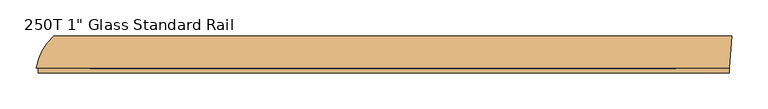
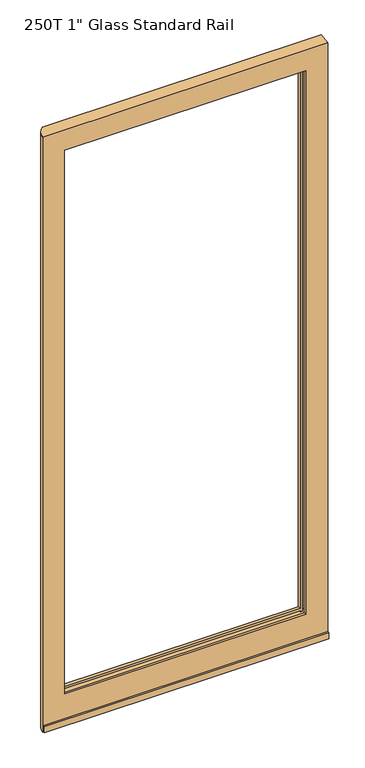
"""IFC4 building model written with IfcOpenShell, lengths in millimetres: door geometry."""

from ifc_helpers import new_model, si_unit, frame, origin, place, context, project, spatial, polyline, circle_curve, outline, extrude, source, transform, mapped, element, save
from ifc_brep_helpers import plane_surface, cylinder_surface, advanced_brep


def door_bd98915f(model_context):
    return source(origin(), model_context, "Body", "SolidModel", [
        advanced_brep(
        [(-479.6437266, 12.7, 2127.25), (-479.6437266, 12.7, 17.4625), (476.6373512, 12.7, 17.4625), (476.6373512, 12.7, 2127.25), (403.225, 12.7, 127.0), (-404.8125, 12.7, 127.0), (-404.8125, 12.7, 2054.225), (403.225, 12.7, 2054.225), (-404.8125, 15.875, 119.3799225), (403.225, 15.875, 119.3799225), (403.225, 15.875, 114.3), (-404.8125, 15.875, 114.3), (403.225, 53.975, 119.3799225), (-404.8125, 53.975, 119.3799225), (-404.8125, 53.975, 114.3), (403.225, 53.975, 114.3), (-404.8125, 55.5625, 127.0), (403.225, 55.5625, 127.0), (403.225, 55.5625, 114.3), (-404.8125, 55.5625, 114.3), (-404.8125, 53.975, 2061.5671875), (403.225, 53.975, 2061.5671875), (403.225, 53.975, 2066.925), (-404.8125, 53.975, 2066.925), (403.225, 15.875, 2061.5671875), (-404.8125, 15.875, 2061.5671875), (-404.8125, 15.875, 2066.925), (403.225, 15.875, 2066.925), (403.225, 55.5625, 2054.225), (-404.8125, 55.5625, 2054.225), (-404.8125, 55.5625, 2066.925), (403.225, 55.5625, 2066.925), (403.225, 19.84375, 127.0), (-404.8125, 19.84375, 127.0), (-404.8125, 19.84375, 119.3799225), (403.225, 19.84375, 119.3799225), (403.225, 45.24375, 119.3799225), (-404.8125, 45.24375, 119.3799225), (-404.8125, 45.24375, 127.0), (403.225, 45.24375, 127.0), (403.225, 19.84375, 2061.5671875), (-404.8125, 19.84375, 2061.5671875), (-404.8125, 19.84375, 2054.225), (403.225, 19.84375, 2054.225), (403.225, 45.24375, 2054.225), (-404.8125, 45.24375, 2054.225), (-404.8125, 45.24375, 2061.5671875), (403.225, 45.24375, 2061.5671875), (-455.6012723, 57.15, 2127.25), (480.21875, 57.15, 2127.25), (-455.6012723, 57.15, 17.4625), (480.21875, 57.15, 17.4625), (-423.8625, 15.875, 114.3), (-423.8625, 55.5625, 114.3), (-423.8625, 55.5625, 2066.925), (-423.8625, 15.875, 2066.925), (-404.8125, 57.15, 114.3), (403.225, 57.15, 114.3), (403.225, 57.15, 2066.925), (-404.8125, 57.15, 2066.925), (422.275, 55.5625, 114.3), (422.275, 15.875, 114.3), (422.275, 15.875, 2066.925), (422.275, 55.5625, 2066.925), (403.225, 19.84375, 114.3), (410.5671875, 19.84375, 114.3), (410.5671875, 15.875, 114.3), (410.5671875, 55.5625, 114.3), (410.5671875, 45.24375, 114.3), (403.225, 45.24375, 114.3), (-404.8125, 45.24375, 114.3), (-412.1277013, 45.24375, 114.3), (-412.1277013, 55.5625, 114.3), (-412.1277013, 15.875, 114.3), (-412.1277013, 19.84375, 114.3), (-404.8125, 19.84375, 114.3), (403.225, 45.24375, 2066.925), (410.5671875, 45.24375, 2066.925), (410.5671875, 55.5625, 2066.925), (410.5671875, 15.875, 2066.925), (410.5671875, 19.84375, 2066.925), (403.225, 19.84375, 2066.925), (-404.8125, 19.84375, 2066.925), (-412.1277013, 19.84375, 2066.925), (-412.1277013, 15.875, 2066.925), (-412.1277013, 55.5625, 2066.925), (-412.1277013, 45.24375, 2066.925), (-404.8125, 45.24375, 2066.925)],
        [
            (0, 1),
            (1, 2),
            (2, 3),
            (3, 0),
            (4, 5),
            (5, 6),
            (6, 7),
            (7, 4),
            (8, 9),
            (9, 10),
            (10, 11),
            (11, 8),
            (12, 13),
            (13, 14),
            (14, 15),
            (15, 12),
            (16, 17),
            (17, 18),
            (18, 19),
            (19, 16),
            (20, 21),
            (21, 22),
            (22, 23),
            (23, 20),
            (24, 25),
            (25, 26),
            (26, 27),
            (27, 24),
            (28, 29),
            (29, 30),
            (30, 31),
            (31, 28),
            (4, 32),
            (32, 33),
            (33, 5),
            (34, 35),
            (35, 9),
            (8, 34),
            (36, 37),
            (37, 13),
            (12, 36),
            (38, 39),
            (39, 17),
            (16, 38),
            (40, 41),
            (41, 25),
            (24, 40),
            (42, 43),
            (43, 7),
            (6, 42),
            (28, 44),
            (44, 45),
            (45, 29),
            (46, 47),
            (47, 21),
            (20, 46),
            (48, 0, circle_curve(frame((-403.0527085, 0.0, 2127.25), z_axis=(0.0, 0.0, 1.0), x_axis=(1.0, 0.0, 0.0)), 77.6368087)),
            (3, 49),
            (49, 48),
            (1, 50, circle_curve(frame((-403.0527085, 0.0, 17.4625), z_axis=(0.0, 0.0, -1.0), x_axis=(1.0, 0.0, 0.0)), 77.6368087)),
            (50, 51),
            (51, 2),
            (48, 50),
            (52, 53),
            (53, 54),
            (54, 55),
            (55, 52),
            (49, 51),
            (56, 57),
            (57, 58),
            (58, 59),
            (59, 56),
            (60, 61),
            (61, 62),
            (62, 63),
            (63, 60),
            (10, 64),
            (64, 65),
            (65, 66),
            (66, 61),
            (60, 67),
            (67, 68),
            (68, 69),
            (69, 15),
            (14, 70),
            (70, 71),
            (71, 72),
            (72, 53),
            (52, 73),
            (73, 74),
            (74, 75),
            (75, 11),
            (18, 57),
            (56, 19),
            (22, 76),
            (76, 77),
            (77, 78),
            (78, 63),
            (62, 79),
            (79, 80),
            (80, 81),
            (81, 27),
            (26, 82),
            (82, 83),
            (83, 84),
            (84, 55),
            (54, 85),
            (85, 86),
            (86, 87),
            (87, 23),
            (30, 59),
            (58, 31),
            (72, 85),
            (78, 67),
            (84, 73),
            (66, 79),
            (75, 34),
            (41, 82),
            (33, 42),
            (83, 74),
            (45, 38),
            (37, 70),
            (87, 46),
            (71, 86),
            (39, 44),
            (69, 36),
            (47, 76),
            (77, 68),
            (43, 32),
            (35, 64),
            (81, 40),
            (65, 80),
        ],
        [
            plane_surface(frame((-404.8125, 12.7, 114.3), z_axis=(0.0, -1.0, 0.0), x_axis=(1.0, 0.0, 0.0))),
            plane_surface(frame((-404.8125, 15.875, 119.3799225), z_axis=(0.0, 1.0, 0.0), x_axis=(1.0, 0.0, 0.0))),
            plane_surface(frame((-404.8125, 53.975, 114.3), z_axis=(0.0, -1.0, 0.0), x_axis=(1.0, 0.0, 0.0))),
            plane_surface(frame((-404.8125, 55.5625, 119.3799225), z_axis=(0.0, 1.0, 0.0), x_axis=(1.0, 0.0, 0.0))),
            plane_surface(frame((-404.8125, 53.975, 2061.5671875), z_axis=(0.0, -1.0, 0.0), x_axis=(1.0, 0.0, 0.0))),
            plane_surface(frame((-404.8125, 15.875, 2066.925), z_axis=(0.0, 1.0, 0.0), x_axis=(1.0, 0.0, 0.0))),
            plane_surface(frame((-404.8125, 55.5625, 2066.925), z_axis=(0.0, 1.0, 0.0), x_axis=(1.0, 0.0, 0.0))),
            plane_surface(frame((-404.8125, 12.7, 127.0), z_axis=(0.0, 0.0, 1.0), x_axis=(1.0, 0.0, 0.0))),
            plane_surface(frame((-404.8125, 19.84375, 119.3799225), z_axis=(0.0, 0.0, -1.0), x_axis=(1.0, 0.0, 0.0))),
            plane_surface(frame((-404.8125, 55.5625, 119.3799225), z_axis=(0.0, 0.0, -1.0), x_axis=(1.0, 0.0, 0.0))),
            plane_surface(frame((-404.8125, 45.24375, 127.0), z_axis=(0.0, 0.0, 1.0), x_axis=(1.0, 0.0, 0.0))),
            plane_surface(frame((-404.8125, 12.7, 2061.5671875), z_axis=(0.0, 0.0, 1.0), x_axis=(1.0, 0.0, 0.0))),
            plane_surface(frame((-404.8125, 19.84375, 2054.225), z_axis=(0.0, 0.0, -1.0), x_axis=(1.0, 0.0, 0.0))),
            plane_surface(frame((-404.8125, 55.5625, 2054.225), z_axis=(0.0, 0.0, -1.0), x_axis=(1.0, 0.0, 0.0))),
            plane_surface(frame((-404.8125, 45.24375, 2061.5671875), z_axis=(0.0, 0.0, 1.0), x_axis=(1.0, 0.0, 0.0))),
            plane_surface(frame((-325.4158998, 0.0, 2127.25), z_axis=(0.0, 0.0, 1.0), x_axis=(0.0, 1.0, 0.0))),
            plane_surface(frame((-325.4158998, 0.0, 17.4625), z_axis=(0.0, 0.0, -1.0), x_axis=(0.0, -1.0, 0.0))),
            cylinder_surface(frame((-403.0527085, 0.0, 17.4625), z_axis=(0.0, 0.0, 1.0), x_axis=(1.0, 0.0, 0.0)), 77.6368087),
            plane_surface(frame((-423.8625, 12.7, 2127.25), z_axis=(1.0, 0.0, 0.0), x_axis=(0.0, 0.0, -1.0))),
            plane_surface(frame((-423.8625, 57.15, 2127.25), z_axis=(0.0, 1.0, 0.0), x_axis=(0.0, 0.0, -1.0))),
            plane_surface(frame((422.275, 57.15, 2127.25), z_axis=(-1.0, 0.0, 0.0), x_axis=(0.0, 0.0, -1.0))),
            plane_surface(frame((476.6373512, 12.7, 2127.25), z_axis=(0.9967698431043912, -0.08031114416846193, 0.0), x_axis=(0.0, 0.0, -1.0))),
            plane_surface(frame((-423.8625, 12.7, 114.3), z_axis=(0.0, 0.0, 1.0), x_axis=(1.0, 0.0, 0.0))),
            plane_surface(frame((-423.8625, 57.15, 2066.925), z_axis=(0.0, 0.0, -1.0), x_axis=(1.0, 0.0, 0.0))),
            plane_surface(frame((-423.8625, 55.5625, 2066.925), z_axis=(0.0, -1.0, 0.0), x_axis=(0.0, 0.0, -1.0))),
            plane_surface(frame((410.5671875, 55.5625, 2066.925), z_axis=(0.0, -1.0, 0.0), x_axis=(0.0, 0.0, -1.0))),
            plane_surface(frame((-412.1277013, 15.875, 2066.925), z_axis=(0.0, 1.0, 0.0), x_axis=(0.0, 0.0, -1.0))),
            plane_surface(frame((422.275, 15.875, 2066.925), z_axis=(0.0, 1.0, 0.0), x_axis=(0.0, 0.0, -1.0))),
            plane_surface(frame((-404.8125, 12.7, 2066.925), z_axis=(1.0, 0.0, 0.0), x_axis=(0.0, 0.0, -1.0))),
            plane_surface(frame((-412.1277013, 19.84375, 2066.925), z_axis=(-1.0, 0.0, 0.0), x_axis=(0.0, 0.0, -1.0))),
            plane_surface(frame((-404.8125, 45.24375, 2066.925), z_axis=(1.0, 0.0, 0.0), x_axis=(0.0, 0.0, -1.0))),
            plane_surface(frame((-412.1277013, 57.15, 2066.925), z_axis=(-1.0, 0.0, 0.0), x_axis=(0.0, 0.0, -1.0))),
            plane_surface(frame((403.225, 57.15, 2066.925), z_axis=(-1.0, 0.0, 0.0), x_axis=(0.0, 0.0, -1.0))),
            plane_surface(frame((410.5671875, 45.24375, 2066.925), z_axis=(1.0, 0.0, 0.0), x_axis=(0.0, 0.0, -1.0))),
            plane_surface(frame((403.225, 19.84375, 2066.925), z_axis=(-1.0, 0.0, 0.0), x_axis=(0.0, 0.0, -1.0))),
            plane_surface(frame((410.5671875, 12.7, 2066.925), z_axis=(1.0, 0.0, 0.0), x_axis=(0.0, 0.0, -1.0))),
            plane_surface(frame((-404.8125, 45.24375, 119.3799225), z_axis=(0.0, -1.0, 0.0), x_axis=(1.0, 0.0, 0.0))),
            plane_surface(frame((-404.8125, 19.84375, 127.0), z_axis=(0.0, 1.0, 0.0), x_axis=(1.0, 0.0, 0.0))),
        ],
        [
            (0, [[1, 2, 3, 4], [5, 6, 7, 8]]),
            (1, [[9, 10, 11, 12]]),
            (2, [[13, 14, 15, 16]]),
            (3, [[17, 18, 19, 20]]),
            (4, [[21, 22, 23, 24]]),
            (5, [[25, 26, 27, 28]]),
            (6, [[29, 30, 31, 32]]),
            (7, [[-5, 33, 34, 35]]),
            (8, [[36, 37, -9, 38]]),
            (9, [[39, 40, -13, 41]]),
            (10, [[42, 43, -17, 44]]),
            (11, [[45, 46, -25, 47]]),
            (12, [[48, 49, -7, 50]]),
            (13, [[-29, 51, 52, 53]]),
            (14, [[54, 55, -21, 56]]),
            (15, [[57, -4, 58, 59]]),
            (16, [[60, 61, 62, -2]]),
            (17, [[-57, 63, -60, -1]]),
            (18, [[64, 65, 66, 67]]),
            (19, [[-63, -59, 68, -61], [69, 70, 71, 72]]),
            (20, [[73, 74, 75, 76]]),
            (21, [[-58, -3, -62, -68]]),
            (22, [[-11, 77, 78, 79, 80, -73, 81, 82, 83, 84, -15, 85, 86, 87, 88, -64, 89, 90, 91, 92]]),
            (22, [[-19, 93, -69, 94]]),
            (23, [[-23, 95, 96, 97, 98, -75, 99, 100, 101, 102, -27, 103, 104, 105, 106, -66, 107, 108, 109, 110]]),
            (23, [[-31, 111, -71, 112]]),
            (24, [[-65, -88, 113, -107]]),
            (25, [[-76, -98, 114, -81]]),
            (26, [[-67, -106, 115, -89]]),
            (27, [[-74, -80, 116, -99]]),
            (28, [[117, -38, -12, -92]]),
            (28, [[118, -103, -26, -46]]),
            (28, [[119, -50, -6, -35]]),
            (29, [[120, -90, -115, -105]]),
            (30, [[-72, -111, -30, -53, 121, -44, -20, -94]]),
            (30, [[122, -85, -14, -40]]),
            (30, [[123, -56, -24, -110]]),
            (31, [[124, -108, -113, -87]]),
            (32, [[-70, -93, -18, -43, 125, -51, -32, -112]]),
            (32, [[126, -41, -16, -84]]),
            (32, [[127, -95, -22, -55]]),
            (33, [[128, -82, -114, -97]]),
            (34, [[-8, -49, 129, -33]]),
            (34, [[130, -77, -10, -37]]),
            (34, [[131, -47, -28, -102]]),
            (35, [[132, -100, -116, -79]]),
            (36, [[-39, -126, -83, -128, -96, -127, -54, -123, -109, -124, -86, -122], [-121, -52, -125, -42]]),
            (37, [[-118, -45, -131, -101, -132, -78, -130, -36, -117, -91, -120, -104], [-34, -129, -48, -119]]),
        ],
    ),
        extrude(outline(polyline([(12.7, 39.7856604), (12.7, 17.4625), (6.7437, 17.4625), (6.7437, 38.3005881), (12.7, 39.7856604)])), frame((-476.7677763, 0.0, 0.0), z_axis=(1.0, 0.0, 0.0), x_axis=(0.0, 1.0, 0.0)), (0.0, 0.0, 1.0), 953.4051274),
    ])


if __name__ == "__main__":
    model = new_model("IFC4")
    model_context = context("Model", 3, world=origin())
    ifc_project = project(units=[si_unit("LENGTHUNIT", "METRE", prefix="MILLI")], contexts=[model_context])
    site = spatial("IfcSite", under=ifc_project)
    building = spatial("IfcBuilding", under=site)
    placement = place(None, origin())
    door_shape = door_bd98915f(model_context)
    element("IfcDoor", 1, ObjectType="250T 1\" Glass Standard Rail", at=placement, inside=building, context=model_context, shape_type="MappedRepresentation", body=[
        mapped(door_shape, transform((0.0, 0.0, 0.0), x_axis=(1.0, 0.0, 0.0), y_axis=(0.0, 1.0, 0.0), z_axis=(0.0, 0.0, 1.0))),
    ])
    save(model, "model.ifc")
